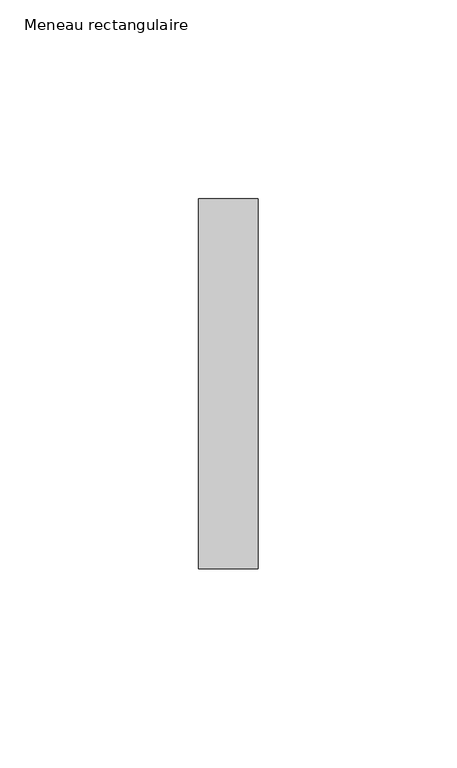
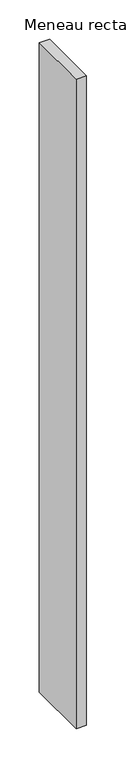
"""IFC4 building model written with IfcOpenShell, lengths in millimetres: member geometry, Meneau rectangulaire."""

from ifc_helpers import new_model, si_unit, frame, origin, place, context, project, spatial, polyline, outline, extrude, source, transform, mapped, element, save


def meneau_rectangulaire_0b5c7127(model_context):
    return source(origin(), model_context, "Body", "SweptSolid", [
        extrude(outline(polyline([(0.0, 46.5), (0.0, -46.5), (-15.0, -46.5), (-15.0, 46.5), (0.0, 46.5)])), frame((0.0, 0.0, -1005.5040494), z_axis=(0.0, 0.0, 1.0), x_axis=(1.0, 0.0, 0.0)), (0.0, 0.0, 1.0), 1005.5040494),
    ])


if __name__ == "__main__":
    model = new_model("IFC4")
    model_context = context("Model", 3, world=origin())
    ifc_project = project(units=[si_unit("LENGTHUNIT", "METRE", prefix="MILLI")], contexts=[model_context])
    site = spatial("IfcSite", under=ifc_project)
    building = spatial("IfcBuilding", under=site)
    placement = place(None, origin())
    meneau_rectangulaire_shape = meneau_rectangulaire_0b5c7127(model_context)
    element("IfcMember", 1, ObjectType="Meneau rectangulaire", at=placement, inside=building, context=model_context, shape_type="MappedRepresentation", body=[
        mapped(meneau_rectangulaire_shape, transform((0.0, 0.0, 0.0), x_axis=(1.0, 0.0, 0.0), y_axis=(0.0, 1.0, 0.0), z_axis=(0.0, 0.0, 1.0))),
    ])
    save(model, "model.ifc")
